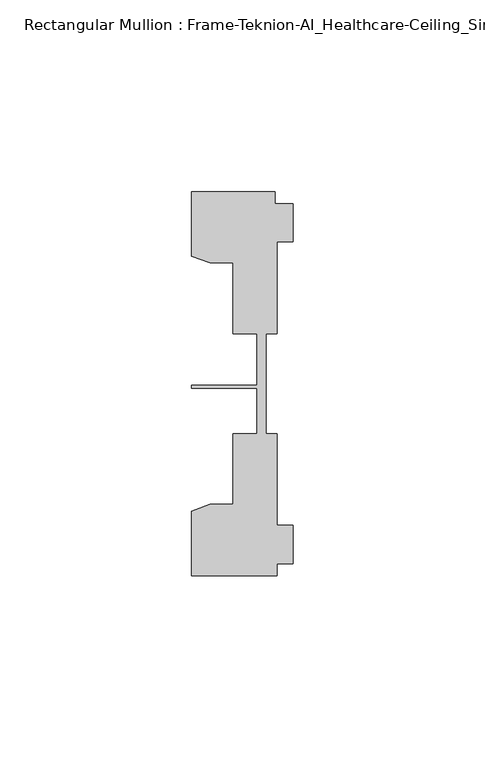
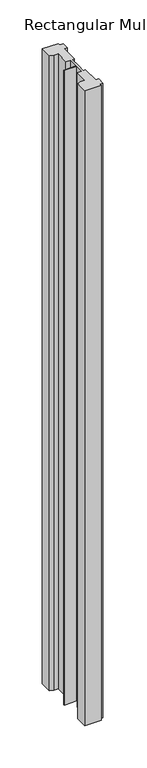
"""IFC4 building model written with IfcOpenShell, lengths in millimetres: member geometry, Rectangular Mullion : Frame-Teknion-AI_Healthcare-Ceiling_Single_Channel."""

from ifc_helpers import new_model, si_unit, frame, origin, place, context, project, spatial, polyline, outline, extrude, source, transform, mapped, element, save


def rectangular_mullion_frame_teknion_ai_healthcare_ceiling_b5248148(model_context):
    return source(origin(), model_context, "Body", "SweptSolid", [
        extrude(outline(polyline([(-26.4921999, 34.0201677), (-26.4921999, 50.8315128), (-4.7752002, 50.8315128), (-4.7752002, 47.782071), (0.0, 47.782071), (0.0, 37.7820716), (-4.2672007, 37.7820716), (-4.2672007, 13.9110722), (-7.1647766, 13.9110722), (-7.1647766, 0.0814804), (-7.1647766, -12.2509301), (-4.2672007, -12.2509301), (-4.2672007, -36.1219249), (0.0, -36.1219249), (0.0, -46.1219322), (-4.2672007, -46.1219322), (-4.2672007, -49.1699293), (-26.4921999, -49.1699293), (-26.4921999, -32.3600207), (-21.6625199, -30.6279561), (-15.6737764, -30.6279561), (-15.6737764, -12.2509301), (-9.4507761, -12.2509301), (-9.4507761, -0.4036528), (-26.4921999, -0.4036528), (-26.4921999, 0.4036528), (-9.4507761, 0.4036528), (-9.4507761, 13.9110722), (-15.6737764, 13.9110722), (-15.6737764, 32.2880982), (-21.6625199, 32.2880982), (-26.4921999, 34.0201677)])), frame((0.0, 0.0, -914.5704326), z_axis=(0.0, 0.0, 1.0), x_axis=(1.0, 0.0, 0.0)), (0.0, 0.0, 1.0), 914.5704326),
    ])


if __name__ == "__main__":
    model = new_model("IFC4")
    model_context = context("Model", 3, world=origin())
    ifc_project = project(units=[si_unit("LENGTHUNIT", "METRE", prefix="MILLI")], contexts=[model_context])
    site = spatial("IfcSite", under=ifc_project)
    building = spatial("IfcBuilding", under=site)
    placement = place(None, origin())
    rectangular_mullion_frame_teknion_ai_healthcare_ceiling_shape = rectangular_mullion_frame_teknion_ai_healthcare_ceiling_b5248148(model_context)
    element("IfcMember", 1, ObjectType="Rectangular Mullion : Frame-Teknion-AI_Healthcare-Ceiling_Single_Channel", at=placement, inside=building, context=model_context, shape_type="MappedRepresentation", body=[
        mapped(rectangular_mullion_frame_teknion_ai_healthcare_ceiling_shape, transform((0.0, 0.0, 0.0), x_axis=(1.0, 0.0, 0.0), y_axis=(0.0, 1.0, 0.0), z_axis=(0.0, 0.0, 1.0))),
    ])
    save(model, "model.ifc")
